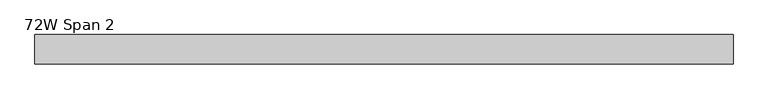
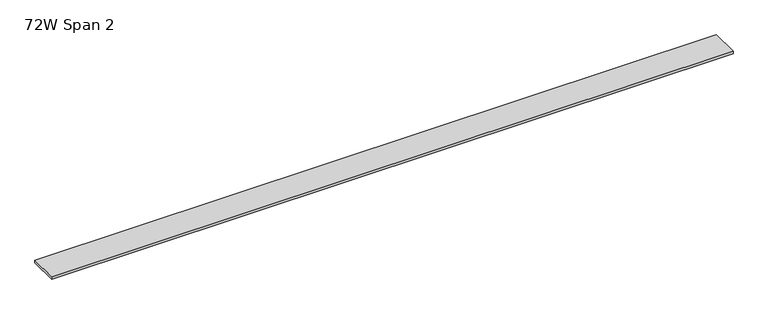
"""IFC4 building model written with IfcOpenShell, lengths in millimetres: furniture geometry, 72W Span 2."""

from ifc_helpers import new_model, si_unit, frame, origin, place, context, project, spatial, polyline, outline, extrude, source, transform, mapped, element, save


def furniture_72w_span_2_5829c976(model_context):
    return source(origin(), model_context, "Body", "SweptSolid", [
        extrude(outline(polyline([(858.41205, 38.735), (858.41205, -38.735), (-970.38795, -38.735), (-970.38795, 38.735), (858.41205, 38.735)])), frame((0.0, 0.0, 1429.766), z_axis=(0.0, 0.0, 1.0), x_axis=(1.0, 0.0, 0.0)), (0.0, 0.0, 1.0), 6.858),
    ])


if __name__ == "__main__":
    model = new_model("IFC4")
    model_context = context("Model", 3, world=origin())
    ifc_project = project(units=[si_unit("LENGTHUNIT", "METRE", prefix="MILLI")], contexts=[model_context])
    site = spatial("IfcSite", under=ifc_project)
    building = spatial("IfcBuilding", under=site)
    placement = place(None, origin())
    furniture_72w_span_2_shape = furniture_72w_span_2_5829c976(model_context)
    element("IfcFurniture", 1, ObjectType="72W Span 2", at=placement, inside=building, context=model_context, shape_type="MappedRepresentation", body=[
        mapped(furniture_72w_span_2_shape, transform((0.0, 0.0, 0.0), x_axis=(1.0, 0.0, 0.0), y_axis=(0.0, 1.0, 0.0), z_axis=(0.0, 0.0, 1.0))),
    ])
    save(model, "model.ifc")
